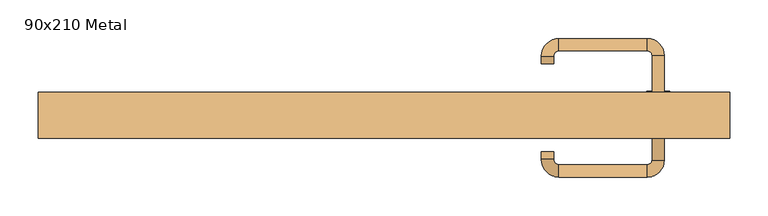
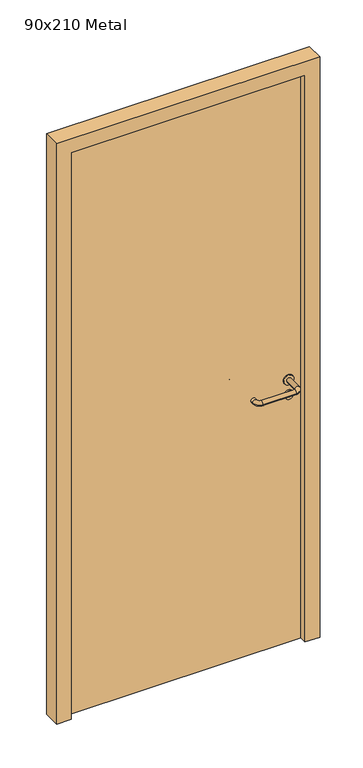
"""IFC4 building model written with IfcOpenShell, lengths in millimetres: door geometry, 90x210 Metal."""

from ifc_helpers import new_model, si_unit, point, frame, frame_2d, origin, origin_with_axes, place, context, project, spatial, polyline, circle_curve, ellipse_curve, trimmed, segment, composite_curve, outline, extrude, source, transform, mapped, element, save
from ifc_brep_helpers import plane_surface, cylinder_surface, revolved_surface, advanced_brep


def door_90x210_metal_ea998898(model_context):
    return source(origin(), model_context, "Body", "SolidModel", [
        extrude(outline(composite_curve([segment(trimmed(circle_curve(frame_2d((897.3605726, 357.0)), 15.0), [point((897.3605726, 372.0))], [point((897.3605726, 342.0))], False, "CARTESIAN"), True, "CONTINUOUS"), segment(trimmed(circle_curve(frame_2d((897.3605726, 357.0)), 15.0), [point((897.3605726, 342.0))], [point((897.3605726, 372.0))], False, "CARTESIAN"), True, "CONTINUOUS")], self_intersect=False), holes=[composite_curve([segment(trimmed(circle_curve(frame_2d((892.5833211, 356.9398032)), 2.0), [point((892.5833211, 358.9398032))], [point((892.5833211, 354.9398032))], True, "CARTESIAN"), True, "CONTINUOUS"), segment(polyline([(892.5833211, 354.9398032), (902.5833211, 354.9398032)]), True, "CONTINUOUS"), segment(trimmed(circle_curve(frame_2d((902.5833211, 356.9398032)), 2.0), [point((902.5833211, 354.9398032))], [point((902.5833211, 358.9398032))], True, "CARTESIAN"), True, "CONTINUOUS"), segment(polyline([(902.5833211, 358.9398032), (892.5833211, 358.9398032)]), True, "CONTINUOUS")], self_intersect=False)]), frame((0.0, -1.35, 0.0), z_axis=(0.0, 1.0, 0.0), x_axis=(0.0, 0.0, 1.0)), (0.0, 0.0, 1.0), 6.35),
        extrude(outline(composite_curve([segment(trimmed(circle_curve(frame_2d((950.0, 357.0)), 17.526), [point((950.0, 374.526))], [point((950.0, 339.474))], False, "CARTESIAN"), True, "CONTINUOUS"), segment(trimmed(circle_curve(frame_2d((950.0, 357.0)), 17.526), [point((950.0, 339.474))], [point((950.0, 374.526))], False, "CARTESIAN"), True, "CONTINUOUS")], self_intersect=False)), frame((0.0, 1.825, 0.0), z_axis=(0.0, 1.0, 0.0), x_axis=(0.0, 0.0, 1.0)), (0.0, 0.0, 1.0), 3.175),
        advanced_brep(
        [(365.0, 5.0, 950.0), (349.0, 5.0, 950.0), (349.0, -48.0, 950.0), (365.0, -48.0, 950.0), (342.8578644, -54.1421356, 950.0), (342.8578644, -70.1421356, 950.0), (227.8578644, -54.1421356, 950.0), (227.8578644, -70.1421356, 950.0), (221.008622, -47.2928932, 950.0), (205.008622, -47.2928932, 950.0), (205.008622, -37.2928932, 950.0), (221.008622, -37.2928932, 950.0)],
        [
            (0, 1, circle_curve(frame((357.0, 5.0, 950.0), z_axis=(0.0, 1.0, 0.0), x_axis=(-1.0, 0.0, 0.0)), 8.0)),
            (1, 0, circle_curve(frame((357.0, 5.0, 950.0), z_axis=(0.0, 1.0, 0.0), x_axis=(-1.0, 0.0, 0.0)), 8.0)),
            (1, 2),
            (2, 3, circle_curve(frame((357.0, -48.0, 950.0), z_axis=(0.0, 1.0, 0.0), x_axis=(-1.0, 0.0, 0.0)), 8.0)),
            (3, 0),
            (3, 2, circle_curve(frame((357.0, -48.0, 950.0), z_axis=(0.0, 1.0, 0.0), x_axis=(-1.0, 0.0, 0.0)), 8.0)),
            (4, 5, circle_curve(frame((342.8578644, -62.1421356, 950.0), z_axis=(1.0, 0.0, 0.0), x_axis=(0.0, 1.0, 0.0)), 8.0)),
            (5, 3, circle_curve(frame((342.8578644, -48.0, 950.0), z_axis=(0.0, 0.0, 1.0), x_axis=(1.0, 0.0, 0.0)), 22.1421356)),
            (2, 4, circle_curve(frame((342.8578644, -48.0, 950.0), z_axis=(0.0, 0.0, -1.0), x_axis=(1.0, 0.0, 0.0)), 6.1421356)),
            (5, 4, circle_curve(frame((342.8578644, -62.1421356, 950.0), z_axis=(1.0, 0.0, 0.0), x_axis=(0.0, 1.0, 0.0)), 8.0)),
            (4, 6),
            (6, 7, circle_curve(frame((227.8578644, -62.1421356, 950.0), z_axis=(1.0, 0.0, 0.0), x_axis=(0.0, 1.0, 0.0)), 8.0)),
            (7, 5),
            (7, 6, circle_curve(frame((227.8578644, -62.1421356, 950.0), z_axis=(1.0, 0.0, 0.0), x_axis=(0.0, 1.0, 0.0)), 8.0)),
            (8, 9, circle_curve(frame((213.008622, -47.2928932, 950.0), z_axis=(0.0, -1.0, 0.0), x_axis=(1.0, 0.0, 0.0)), 8.0)),
            (9, 7, circle_curve(frame((227.8578644, -47.2928932, 950.0), z_axis=(0.0, 0.0, 1.0), x_axis=(0.0, -1.0, 0.0)), 22.8492424)),
            (6, 8, circle_curve(frame((227.8578644, -47.2928932, 950.0), z_axis=(0.0, 0.0, -1.0), x_axis=(0.0, -1.0, 0.0)), 6.8492424)),
            (9, 8, circle_curve(frame((213.008622, -47.2928932, 950.0), z_axis=(0.0, -1.0, 0.0), x_axis=(1.0, 0.0, 0.0)), 8.0)),
            (10, 11, circle_curve(frame((213.008622, -37.2928932, 950.0), z_axis=(0.0, 1.0, 0.0), x_axis=(1.0, 0.0, 0.0)), 8.0)),
            (11, 10, circle_curve(frame((213.008622, -37.2928932, 950.0), z_axis=(0.0, 1.0, 0.0), x_axis=(1.0, 0.0, 0.0)), 8.0)),
            (8, 11),
            (10, 9),
        ],
        [
            plane_surface(frame((357.0, 5.0, 0.0), z_axis=(0.0, 1.0, 0.0), x_axis=(0.0, 0.0, 1.0))),
            cylinder_surface(frame((357.0, 5.0, 950.0), z_axis=(0.0, 1.0, 0.0), x_axis=(-1.0, 0.0, 0.0)), 8.0),
            revolved_surface(trimmed(ellipse_curve(frame((357.0, -48.0, 950.0), z_axis=(0.0, -1.0, 0.0), x_axis=(-1.0, 0.0, 0.0)), 8.0, 8.0), [point((365.0, -48.0, 950.0))], [point((349.0, -48.0, 950.0))], True, "CARTESIAN"), (342.8578644, -48.0, 0.0), (0.0, 0.0, 1.0)),
            revolved_surface(trimmed(ellipse_curve(frame((357.0, -48.0, 950.0), z_axis=(0.0, -1.0, 0.0), x_axis=(-1.0, 0.0, 0.0)), 8.0, 8.0), [point((349.0, -48.0, 950.0))], [point((365.0, -48.0, 950.0))], True, "CARTESIAN"), (342.8578644, -48.0, 0.0), (0.0, 0.0, 1.0)),
            cylinder_surface(frame((342.8578644, -62.1421356, 950.0), z_axis=(1.0, 0.0, 0.0), x_axis=(0.0, 1.0, 0.0)), 8.0),
            revolved_surface(trimmed(ellipse_curve(frame((227.8578644, -62.1421356, 950.0), z_axis=(-1.0, 0.0, 0.0), x_axis=(0.0, 1.0, 0.0)), 8.0, 8.0), [point((227.8578644, -70.1421356, 950.0))], [point((227.8578644, -54.1421356, 950.0))], True, "CARTESIAN"), (227.8578644, -47.2928932, 0.0), (0.0, 0.0, 1.0)),
            revolved_surface(trimmed(ellipse_curve(frame((227.8578644, -62.1421356, 950.0), z_axis=(-1.0, 0.0, 0.0), x_axis=(0.0, 1.0, 0.0)), 8.0, 8.0), [point((227.8578644, -54.1421356, 950.0))], [point((227.8578644, -70.1421356, 950.0))], True, "CARTESIAN"), (227.8578644, -47.2928932, 0.0), (0.0, 0.0, 1.0)),
            plane_surface(frame((213.008622, -37.2928932, 0.0), z_axis=(0.0, 1.0, 0.0), x_axis=(0.0, 0.0, 1.0))),
            cylinder_surface(frame((213.008622, -47.2928932, 950.0), z_axis=(0.0, -1.0, 0.0), x_axis=(1.0, 0.0, 0.0)), 8.0),
        ],
        [
            (0, [[1, 2]]),
            (1, [[3, 4, 5, -2]]),
            (1, [[-5, 6, -3, -1]]),
            (2, [[7, 8, -4, 9]]),
            (3, [[10, -9, -6, -8]]),
            (4, [[11, 12, 13, -7]]),
            (4, [[-13, 14, -11, -10]]),
            (5, [[15, 16, -12, 17]]),
            (6, [[18, -17, -14, -16]]),
            (7, [[19, 20]]),
            (8, [[21, -19, 22, -15]]),
            (8, [[-22, -20, -21, -18]]),
        ],
    ),
        extrude(outline(composite_curve([segment(trimmed(circle_curve(frame_2d((0.0, -15.0)), 15.0), [point((0.0, -30.0))], [point((0.0, 0.0))], False, "CARTESIAN"), True, "CONTINUOUS"), segment(trimmed(circle_curve(frame_2d((0.0, -15.0)), 15.0), [point((0.0, 0.0))], [point((0.0, -30.0))], False, "CARTESIAN"), True, "CONTINUOUS")], self_intersect=False), holes=[composite_curve([segment(trimmed(circle_curve(frame_2d((4.7772515, -14.9398032)), 2.0), [point((4.7772515, -16.9398032))], [point((4.7772515, -12.9398032))], True, "CARTESIAN"), True, "CONTINUOUS"), segment(polyline([(4.7772515, -12.9398032), (-5.2227485, -12.9398032)]), True, "CONTINUOUS"), segment(trimmed(circle_curve(frame_2d((-5.2227485, -14.9398032)), 2.0), [point((-5.2227485, -12.9398032))], [point((-5.2227485, -16.9398032))], True, "CARTESIAN"), True, "CONTINUOUS"), segment(polyline([(-5.2227485, -16.9398032), (4.7772515, -16.9398032)]), True, "CONTINUOUS")], self_intersect=False)]), frame((342.0, 35.0, 897.3605726), z_axis=(1.8870575173328306e-12, 1.0, 0.0), x_axis=(0.0, 0.0, -1.0)), (0.0, 0.0, 1.0), 6.35),
        extrude(outline(composite_curve([segment(trimmed(circle_curve(frame_2d((0.0, -17.526)), 17.526), [point((0.0, -35.052))], [point((0.0, 0.0))], False, "CARTESIAN"), True, "CONTINUOUS"), segment(trimmed(circle_curve(frame_2d((0.0, -17.526)), 17.526), [point((0.0, 0.0))], [point((0.0, -35.052))], False, "CARTESIAN"), True, "CONTINUOUS")], self_intersect=False)), frame((339.474, 35.0, 950.0), z_axis=(1.8870575173328306e-12, 1.0, 0.0), x_axis=(0.0, 0.0, -1.0)), (0.0, 0.0, 1.0), 3.175),
        advanced_brep(
        [(365.0, 35.0, 950.0), (349.0, 35.0, 950.0), (365.0, 88.0, 950.0), (349.0, 88.0, 950.0), (342.8578644, 94.1421356, 950.0), (342.8578644, 110.1421356, 950.0), (227.8578644, 110.1421356, 950.0), (227.8578644, 94.1421356, 950.0), (221.008622, 87.2928932, 950.0), (205.008622, 87.2928932, 950.0), (205.008622, 77.2928932, 950.0), (221.008622, 77.2928932, 950.0)],
        [
            (0, 1, circle_curve(frame((357.0, 35.0, 950.0), z_axis=(-1.888672253512351e-12, -1.0, 0.0), x_axis=(-1.0, 1.888672253512351e-12, 0.0)), 8.0)),
            (1, 0, circle_curve(frame((357.0, 35.0, 950.0), z_axis=(-1.888672253512351e-12, -1.0, 0.0), x_axis=(-1.0, 1.888672253512351e-12, 0.0)), 8.0)),
            (0, 2),
            (2, 3, circle_curve(frame((357.0, 88.0, 950.0), z_axis=(-1.888672253512351e-12, -1.0, 0.0), x_axis=(-1.0, 1.888672253512351e-12, 0.0)), 8.0)),
            (3, 1),
            (3, 2, circle_curve(frame((357.0, 88.0, 950.0), z_axis=(-1.888672253512351e-12, -1.0, 0.0), x_axis=(-1.0, 1.888672253512351e-12, 0.0)), 8.0)),
            (4, 3, circle_curve(frame((342.8578644, 88.0, 950.0), z_axis=(0.0, 0.0, -1.0), x_axis=(1.0, -1.880717803715015e-12, 0.0)), 6.1421356)),
            (2, 5, circle_curve(frame((342.8578644, 88.0, 950.0), z_axis=(0.0, 0.0, 1.0), x_axis=(1.0, -1.880717803715015e-12, 0.0)), 22.1421356)),
            (5, 4, circle_curve(frame((342.8578644, 102.1421356, 950.0), z_axis=(1.0, -1.913702061528922e-12, 0.0), x_axis=(-1.913702061528922e-12, -1.0, 0.0)), 8.0)),
            (4, 5, circle_curve(frame((342.8578644, 102.1421356, 950.0), z_axis=(1.0, -1.913702061528922e-12, 0.0), x_axis=(-1.913702061528922e-12, -1.0, 0.0)), 8.0)),
            (5, 6),
            (6, 7, circle_curve(frame((227.8578644, 102.1421356, 950.0), z_axis=(1.0, -1.913719828541269e-12, 0.0), x_axis=(-1.913719828541269e-12, -1.0, 0.0)), 8.0)),
            (7, 4),
            (7, 6, circle_curve(frame((227.8578644, 102.1421356, 950.0), z_axis=(1.0, -1.913719828541269e-12, 0.0), x_axis=(-1.913719828541269e-12, -1.0, 0.0)), 8.0)),
            (8, 7, circle_curve(frame((227.8578644, 87.2928932, 950.0), z_axis=(0.0, 0.0, -1.0), x_axis=(1.9120873253494017e-12, 1.0, 0.0)), 6.8492424)),
            (6, 9, circle_curve(frame((227.8578644, 87.2928932, 950.0), z_axis=(0.0, 0.0, 1.0), x_axis=(1.9120873253494017e-12, 1.0, 0.0)), 22.8492424)),
            (9, 8, circle_curve(frame((213.008622, 87.2928932, 950.0), z_axis=(1.890448610351751e-12, 1.0, 0.0), x_axis=(1.0, -1.890448610351751e-12, 0.0)), 8.0)),
            (8, 9, circle_curve(frame((213.008622, 87.2928932, 950.0), z_axis=(1.8888942981172756e-12, 1.0, 0.0), x_axis=(1.0, -1.8888942981172756e-12, 0.0)), 8.0)),
            (10, 11, circle_curve(frame((213.008622, 77.2928932, 950.0), z_axis=(-1.8903642334018795e-12, -1.0, 0.0), x_axis=(1.0, -1.8903642334018795e-12, 0.0)), 8.0)),
            (11, 10, circle_curve(frame((213.008622, 77.2928932, 950.0), z_axis=(-1.8903642334018795e-12, -1.0, 0.0), x_axis=(1.0, -1.8903642334018795e-12, 0.0)), 8.0)),
            (9, 10),
            (11, 8),
        ],
        [
            plane_surface(frame((357.0, 35.0, 0.0), z_axis=(-1.8870575173328306e-12, -1.0, 0.0), x_axis=(0.0, 0.0, 1.0))),
            cylinder_surface(frame((357.0, 35.0, 950.0), z_axis=(-1.888672253512351e-12, -1.0, 0.0), x_axis=(-1.0, 1.888672253512351e-12, 0.0)), 8.0),
            revolved_surface(trimmed(ellipse_curve(frame((357.0, 88.0, 950.0), z_axis=(-1.8823325398945356e-12, -1.0, 0.0), x_axis=(-1.0, 1.8823325398945356e-12, 0.0)), 8.0, 8.0), [point((365.0, 88.0, 950.0))], [point((349.0, 88.0, 950.0))], True, "CARTESIAN"), (342.8578644, 88.0, 0.0), (0.0, 0.0, 1.0)),
            revolved_surface(trimmed(ellipse_curve(frame((357.0, 88.0, 950.0), z_axis=(-1.8823325398945356e-12, -1.0, 0.0), x_axis=(-1.0, 1.8823325398945356e-12, 0.0)), 8.0, 8.0), [point((349.0, 88.0, 950.0))], [point((365.0, 88.0, 950.0))], True, "CARTESIAN"), (342.8578644, 88.0, 0.0), (0.0, 0.0, 1.0)),
            cylinder_surface(frame((342.8578644, 102.1421356, 950.0), z_axis=(1.0, -1.913719828541269e-12, 0.0), x_axis=(-1.913719828541269e-12, -1.0, 0.0)), 8.0),
            revolved_surface(trimmed(ellipse_curve(frame((227.8578644, 102.1421356, 950.0), z_axis=(1.0, -1.913702061528922e-12, 0.0), x_axis=(-1.913702061528922e-12, -1.0, 0.0)), 8.0, 8.0), [point((227.8578644, 110.1421356, 950.0))], [point((227.8578644, 94.1421356, 950.0))], True, "CARTESIAN"), (227.8578644, 87.2928932, 0.0), (0.0, 0.0, 1.0)),
            revolved_surface(trimmed(ellipse_curve(frame((227.8578644, 102.1421356, 950.0), z_axis=(1.0, -1.913702061528922e-12, 0.0), x_axis=(-1.913702061528922e-12, -1.0, 0.0)), 8.0, 8.0), [point((227.8578644, 94.1421356, 950.0))], [point((227.8578644, 110.1421356, 950.0))], True, "CARTESIAN"), (227.8578644, 87.2928932, 0.0), (0.0, 0.0, 1.0)),
            plane_surface(frame((213.008622, 77.2928932, 0.0), z_axis=(-1.8887494972223595e-12, -1.0, 0.0), x_axis=(0.0, 0.0, 1.0))),
            cylinder_surface(frame((213.008622, 87.2928932, 950.0), z_axis=(1.8903642334018795e-12, 1.0, 0.0), x_axis=(1.0, -1.8903642334018795e-12, 0.0)), 8.0),
        ],
        [
            (0, [[1, 2]]),
            (1, [[-1, 3, 4, 5]]),
            (1, [[-2, -5, 6, -3]]),
            (2, [[7, -4, 8, 9]]),
            (3, [[-8, -6, -7, 10]]),
            (4, [[-9, 11, 12, 13]]),
            (4, [[-10, -13, 14, -11]]),
            (5, [[15, -12, 16, 17]]),
            (6, [[-16, -14, -15, 18]]),
            (7, [[19, 20]]),
            (8, [[-17, 21, -20, 22]]),
            (8, [[-18, -22, -19, -21]]),
        ],
    ),
        extrude(outline(polyline([(2050.0, 400.0), (0.0, 400.0), (0.0, 450.0), (2100.0, 450.0), (2100.0, -450.0), (0.0, -450.0), (0.0, -400.0), (2050.0, -400.0), (2050.0, 400.0)])), frame((0.0, -20.0, 0.0), z_axis=(0.0, 1.0, 0.0), x_axis=(0.0, 0.0, 1.0)), (0.0, 0.0, 1.0), 60.0),
        extrude(outline(polyline([(-400.0, 35.0), (400.0, 35.0), (400.0, 5.0), (-400.0, 5.0), (-400.0, 35.0)])), origin_with_axes(), (0.0, 0.0, 1.0), 2050.0),
    ])


if __name__ == "__main__":
    model = new_model("IFC4")
    model_context = context("Model", 3, world=origin())
    ifc_project = project(units=[si_unit("LENGTHUNIT", "METRE", prefix="MILLI")], contexts=[model_context])
    site = spatial("IfcSite", under=ifc_project)
    building = spatial("IfcBuilding", under=site)
    placement = place(None, origin())
    door_90x210_metal_shape = door_90x210_metal_ea998898(model_context)
    element("IfcDoor", 1, ObjectType="90x210 Metal", at=placement, inside=building, context=model_context, shape_type="MappedRepresentation", body=[
        mapped(door_90x210_metal_shape, transform((0.0, 0.0, 0.0), x_axis=(1.0, 0.0, 0.0), y_axis=(0.0, 1.0, 0.0), z_axis=(0.0, 0.0, 1.0))),
    ])
    save(model, "model.ifc")
